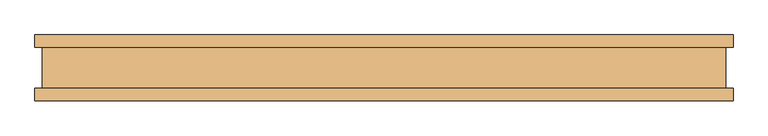
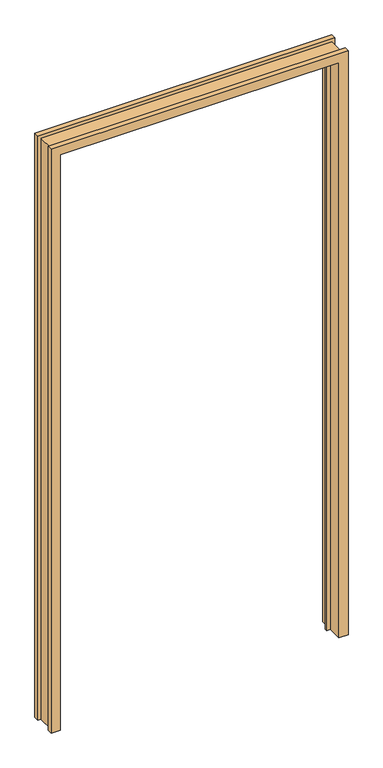
"""IFC4 building model written with IfcOpenShell, lengths in millimetres: door geometry."""

import ifcopenshell
import ifcopenshell.guid

model = None  # the IFC model being written
_history = None  # IfcOwnerHistory: only IFC2X3 demands one
_inside = {}  # id of a spatial element -> (the spatial element, [elements in it])
_under = {}  # id of a project, library or spatial element -> (it, [spatial elements below it])
_declared = {}  # id of a project -> (the project, [libraries it declares])
_typed = {}  # id of a type object -> (the type object, [elements of that type])
_made_of = {}  # id of a material, layer set ... -> (it, [elements and type objects made of it])


def new_model(schema):
    """Start an empty IFC model of exactly this schema.

    Asked for "IFC4X3", IfcOpenShell would pick the latest addendum, in which some entities
    have other attributes; the version numbers below select the first issue.
    IFC2X3 requires an IfcOwnerHistory on every rooted entity: one is made here for all.
    """
    global model, _history
    if schema == "IFC4X3":
        model = ifcopenshell.file(schema_version=(4, 3, 0, 0))
    else:
        model = ifcopenshell.file(schema=schema)
    _inside.clear()
    _under.clear()
    _declared.clear()
    _typed.clear()
    _made_of.clear()
    _history = None
    if model.schema == "IFC2X3":
        org = make("IfcOrganization", Name="unknown")
        user = make(
            "IfcPersonAndOrganization",
            ThePerson=make("IfcPerson", FamilyName="unknown"),
            TheOrganization=org,
        )
        app = make(
            "IfcApplication",
            ApplicationDeveloper=org,
            Version="unknown",
            ApplicationFullName="unknown",
            ApplicationIdentifier="unknown",
        )
        _history = make(
            "IfcOwnerHistory",
            OwningUser=user,
            OwningApplication=app,
            ChangeAction="ADDED",
            CreationDate=0,
        )
    return model


def make(cls, **values):
    """One entity of the class cls with the attributes given. An attribute that is None is left unset."""
    return model.create_entity(
        cls, **{name: value for name, value in values.items() if value is not None}
    )


def rooted(cls, **values):
    """An entity with a GlobalId (a new one), such as an element, a storey or a relation."""
    return make(cls, GlobalId=ifcopenshell.guid.new(), OwnerHistory=_history, **values)


def si_unit(unit_type, name, prefix=None):
    """IfcSIUnit, for example si_unit("LENGTHUNIT", "METRE", prefix="MILLI")."""
    return make("IfcSIUnit", UnitType=unit_type, Prefix=prefix, Name=name)


def assignment(units):
    """IfcUnitAssignment: the units of a project."""
    return None if units is None else make("IfcUnitAssignment", Units=units)


def point(xyz):
    """IfcCartesianPoint."""
    return None if xyz is None else make("IfcCartesianPoint", Coordinates=xyz)


def direction(xyz):
    """IfcDirection."""
    return None if xyz is None else make("IfcDirection", DirectionRatios=xyz)


def frame(location, z_axis=None, x_axis=None):
    """IfcAxis2Placement3D, a coordinate frame: its origin and axes. An axis left out is left unset."""
    return make(
        "IfcAxis2Placement3D",
        Location=point(location),
        Axis=direction(z_axis),
        RefDirection=direction(x_axis),
    )


def origin():
    """The frame at (0, 0, 0) with its axes left unset."""
    return frame((0.0, 0.0, 0.0))


def place(relative_to, where):
    """IfcLocalPlacement: puts the frame where relative to a parent placement (None: the world)."""
    return make(
        "IfcLocalPlacement", PlacementRelTo=relative_to, RelativePlacement=where
    )


def context(
    kind, dimensions, precision=None, world=None, true_north=None, identifier=None
):
    """IfcGeometricRepresentationContext, for example the 3D "Model" context."""
    return make(
        "IfcGeometricRepresentationContext",
        ContextIdentifier=identifier,
        ContextType=kind,
        CoordinateSpaceDimension=dimensions,
        Precision=precision,
        WorldCoordinateSystem=world,
        TrueNorth=true_north,
    )


def project(units=None, contexts=None):
    """IfcProject with its units and contexts."""
    return rooted(
        "IfcProject",
        Name="project",
        RepresentationContexts=contexts,
        UnitsInContext=assignment(units),
    )


def spatial(cls, under=None, at=None, **own):
    """A site, building, storey or space (cls), placed at a placement, below another one or the project."""
    s = rooted(cls, ObjectPlacement=at, **own)
    if under is not None:
        _under.setdefault(under.id(), (under, []))[1].append(s)
    return s


def faces_of(points, faces, orient=None, outer=None):
    """IfcFace entities. A face is a list of loops; a loop is a list of indices into points, from 0.

    orient and outer hold one flag for each loop. By default every Orientation is true, the
    first loop of a face is its IfcFaceOuterBound and the others are IfcFaceBound.
    """
    made = []
    for i, loops in enumerate(faces):
        bounds = []
        for j, loop in enumerate(loops):
            is_outer = j == 0 if outer is None else outer[i][j]
            bounds.append(
                make(
                    "IfcFaceOuterBound" if is_outer else "IfcFaceBound",
                    Bound=make("IfcPolyLoop", Polygon=[points[k] for k in loop]),
                    Orientation=True if orient is None else orient[i][j],
                )
            )
        made.append(make("IfcFace", Bounds=bounds))
    return made


def faceted_brep(points, faces, orient=None, outer=None, voids=None):
    """IfcFacetedBrep: a solid bounded by flat faces; with voids (closed shells), ...WithVoids."""
    shared = [point(p) for p in points]
    hull = make("IfcClosedShell", CfsFaces=faces_of(shared, faces, orient, outer))
    if voids is None:
        return make("IfcFacetedBrep", Outer=hull)
    return make(
        "IfcFacetedBrepWithVoids",
        Outer=hull,
        Voids=[
            make(cls, CfsFaces=faces_of(shared, fs, o, b)) for cls, fs, o, b in voids
        ],
    )


def shape(context_of_items, identifier, shape_type, items):
    """IfcShapeRepresentation: the items that make up one representation, for example the "Body"."""
    return make(
        "IfcShapeRepresentation",
        ContextOfItems=context_of_items,
        RepresentationIdentifier=identifier,
        RepresentationType=shape_type,
        Items=items,
    )


def source(mapping_origin, context_of_items, identifier, shape_type, items):
    """IfcRepresentationMap: a shape defined once, which mapped items show again and again."""
    return make(
        "IfcRepresentationMap",
        MappingOrigin=mapping_origin,
        MappedRepresentation=shape(context_of_items, identifier, shape_type, items),
    )


def transform(
    local_origin,
    x_axis=None,
    y_axis=None,
    z_axis=None,
    scale=None,
    scale2=None,
    scale3=None,
    uniform=True,
):
    """IfcCartesianTransformationOperator3D, or its non-uniform kind. x_axis, y_axis, z_axis: its Axis1, 2, 3."""
    if uniform:
        return make(
            "IfcCartesianTransformationOperator3D",
            Axis1=direction(x_axis),
            Axis2=direction(y_axis),
            LocalOrigin=point(local_origin),
            Scale=scale,
            Axis3=direction(z_axis),
        )
    return make(
        "IfcCartesianTransformationOperator3DnonUniform",
        Axis1=direction(x_axis),
        Axis2=direction(y_axis),
        LocalOrigin=point(local_origin),
        Scale=scale,
        Axis3=direction(z_axis),
        Scale2=scale2,
        Scale3=scale3,
    )


def mapped(mapping_source, mapping_target):
    """IfcMappedItem: shows the shape of a source again, moved by a transform."""
    return make(
        "IfcMappedItem", MappingSource=mapping_source, MappingTarget=mapping_target
    )


def made_of(thing, what):
    """Note that an element or type object is made of a material, layer set ...; save() writes the relation."""
    if what is not None:
        _made_of.setdefault(what.id(), (what, []))[1].append(thing)
    return thing


def element(
    cls,
    number,
    at=None,
    inside=None,
    cuts=None,
    type_object=None,
    material=None,
    context=None,
    identifier="Body",
    shape_type=None,
    held_by="IfcProductDefinitionShape",
    body=None,
    shapes=None,
    **own,
):
    """One element of the class cls, such as IfcWall. Its Tag is "e" and its number.

    at: its placement. inside: the storey or other place that contains it. cuts: it is an
    opening in that element (IfcRelVoidsElement). A single representation is given by context,
    identifier, shape_type and body (its items); several are given by shapes. held_by: the class
    of the entity that holds the representations. save() writes the other relations.
    """
    e = rooted(cls, Tag="e%d" % number, ObjectPlacement=at, **own)
    if body is not None:
        shapes = [shape(context, identifier, shape_type, body)]
    if shapes is not None:
        e.Representation = make(held_by, Representations=shapes)
    if inside is not None:
        _inside.setdefault(inside.id(), (inside, []))[1].append(e)
    if cuts is not None:
        rooted(
            "IfcRelVoidsElement", RelatingBuildingElement=cuts, RelatedOpeningElement=e
        )
    if type_object is not None:
        _typed.setdefault(type_object.id(), (type_object, []))[1].append(e)
    return made_of(e, material)


def aggregate(whole, parts):
    """IfcRelAggregates: a whole, such as a stair, and the parts it consists of."""
    return rooted("IfcRelAggregates", RelatingObject=whole, RelatedObjects=parts)


def save(model, path):
    """Write the relations noted so far, then the file.

    IfcRelAggregates (storeys below a building ...), IfcRelContainedInSpatialStructure (elements
    in a storey), IfcRelDefinesByType, IfcRelAssociatesMaterial and IfcRelDeclares: one each for
    every whole, place, type object, material and project.
    """
    for whole, parts in _under.values():
        aggregate(whole, parts)
    for where, things in _inside.values():
        rooted(
            "IfcRelContainedInSpatialStructure",
            RelatedElements=things,
            RelatingStructure=where,
        )
    for kind, things in _typed.values():
        rooted("IfcRelDefinesByType", RelatedObjects=things, RelatingType=kind)
    for what, things in _made_of.values():
        rooted("IfcRelAssociatesMaterial", RelatedObjects=things, RelatingMaterial=what)
    for by, libraries in _declared.values():
        rooted("IfcRelDeclares", RelatingContext=by, RelatedDefinitions=libraries)
    model.write(path)


def door_7a34a5dd(model_context):
    return source(origin(), model_context, "Body", "Brep", [
        faceted_brep([(-531.6982, -31.447233, 0.0), (-520.7, -31.447233, 0.0), (-520.7, 31.468567, 0.0), (-531.6982, 31.468567, 0.0), (-531.6982, 50.010667, 0.0), (-498.6782, 50.010667, 0.0), (-498.6782, 10.907167, 0.0), (-485.7242, 10.907167, 0.0), (-485.7242, 2.6789063, 0.0), (-498.6782, 2.6789063, 0.0), (-498.6782, -49.989233, 0.0), (-531.6982, -49.989233, 0.0), (-531.6982, -49.989233, 2209.7925997), (-531.6982, -31.447233, 2209.7925997), (-498.6782, -49.989233, 2176.7725997), (498.6782, -49.989233, 2176.7725997), (498.6782, -49.989233, 0.0), (531.6982, -49.989233, 0.0), (531.6982, -49.989233, 2209.7925997), (-498.6782, 2.6789063, 2176.7725997), (-485.7242, 2.6789063, 2163.8185997), (485.7242, 2.6789063, 2163.8185997), (485.7242, 2.6789063, 0.0), (498.6782, 2.6789063, 0.0), (498.6782, 2.6789063, 2176.7725997), (-485.7242, 10.907167, 2163.8185997), (-498.6782, 10.907167, 2176.7725997), (498.6782, 10.907167, 2176.7725997), (498.6782, 10.907167, 0.0), (485.7242, 10.907167, 0.0), (485.7242, 10.907167, 2163.8185997), (-498.6782, 50.010667, 2176.7725997), (-531.6982, 50.010667, 2209.7925997), (531.6982, 50.010667, 2209.7925997), (531.6982, 50.010667, 0.0), (498.6782, 50.010667, 0.0), (498.6782, 50.010667, 2176.7725997), (-531.6982, 31.468567, 2209.7925997), (-520.7, 31.468567, 2198.7943997), (520.7, 31.468567, 2198.7943997), (520.7, 31.468567, 0.0), (531.6982, 31.468567, 0.0), (531.6982, 31.468567, 2209.7925997), (-520.7, -31.447233, 2198.7943997), (531.6982, -31.447233, 2209.7925997), (531.6982, -31.447233, 0.0), (520.7, -31.447233, 0.0), (520.7, -31.447233, 2198.7943997)], [[[0, 1, 2, 3, 4, 5, 6, 7, 8, 9, 10, 11]], [[11, 12, 13, 0]], [[10, 14, 15, 16, 17, 18, 12, 11]], [[9, 19, 14, 10]], [[8, 20, 21, 22, 23, 24, 19, 9]], [[7, 25, 20, 8]], [[6, 26, 27, 28, 29, 30, 25, 7]], [[5, 31, 26, 6]], [[4, 32, 33, 34, 35, 36, 31, 5]], [[3, 37, 32, 4]], [[2, 38, 39, 40, 41, 42, 37, 3]], [[1, 43, 38, 2]], [[0, 13, 44, 45, 46, 47, 43, 1]], [[36, 35, 28, 27]], [[45, 17, 16, 23, 22, 29, 28, 35, 34, 41, 40, 46]], [[47, 46, 40, 39]], [[30, 29, 22, 21]], [[24, 23, 16, 15]], [[18, 17, 45, 44]], [[42, 41, 34, 33]], [[31, 36, 27, 26]], [[43, 47, 39, 38]], [[25, 30, 21, 20]], [[19, 24, 15, 14]], [[12, 18, 44, 13]], [[37, 42, 33, 32]]]),
    ])


if __name__ == "__main__":
    model = new_model("IFC4")
    model_context = context("Model", 3, world=origin())
    ifc_project = project(units=[si_unit("LENGTHUNIT", "METRE", prefix="MILLI")], contexts=[model_context])
    site = spatial("IfcSite", under=ifc_project)
    building = spatial("IfcBuilding", under=site)
    placement = place(None, origin())
    door_shape = door_7a34a5dd(model_context)
    element("IfcDoor", 1, at=placement, inside=building, context=model_context, shape_type="MappedRepresentation", body=[
        mapped(door_shape, transform((0.0, 0.0, 0.0), x_axis=(1.0, 0.0, 0.0), y_axis=(0.0, 1.0, 0.0), z_axis=(0.0, 0.0, 1.0))),
    ])
    save(model, "model.ifc")
